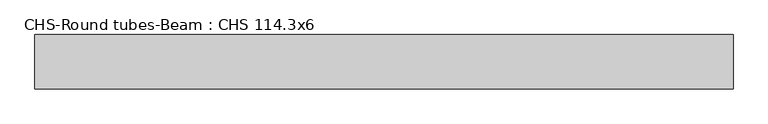
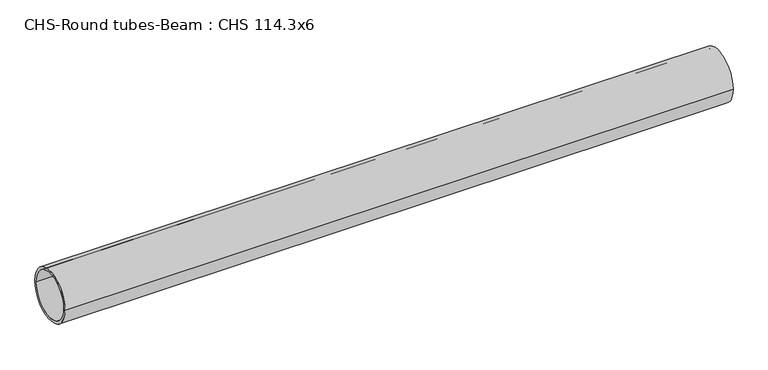
"""IFC4 building model written with IfcOpenShell, lengths in millimetres: beam geometry, CHS-Round tubes-Beam : CHS 114.3x6."""

from ifc_helpers import new_model, si_unit, point, frame, origin, origin_2d, place, context, project, spatial, circle_curve, trimmed, segment, composite_curve, outline, extrude, source, transform, mapped, element, save


def chs_round_tubes_beam_chs_114_3x6_938c7c3d(model_context):
    return source(origin(), model_context, "Body", "SweptSolid", [
        extrude(outline(composite_curve([segment(trimmed(circle_curve(origin_2d(), 57.15), [point((57.15, 0.0))], [point((-57.15, 0.0))], False, "CARTESIAN"), True, "CONTINUOUS"), segment(trimmed(circle_curve(origin_2d(), 57.15), [point((-57.15, 0.0))], [point((57.15, 0.0))], False, "CARTESIAN"), True, "CONTINUOUS")], self_intersect=False), holes=[composite_curve([segment(trimmed(circle_curve(origin_2d(), 51.15), [point((51.15, 0.0))], [point((-51.15, 0.0))], True, "CARTESIAN"), True, "CONTINUOUS"), segment(trimmed(circle_curve(origin_2d(), 51.15), [point((-51.15, 0.0))], [point((51.15, 0.0))], True, "CARTESIAN"), True, "CONTINUOUS")], self_intersect=False)]), frame((-735.5671644, 0.0, 0.0), z_axis=(1.0, 0.0, 0.0), x_axis=(0.0, 1.0, 0.0)), (0.0, 0.0, 1.0), 1465.9272571),
    ])


if __name__ == "__main__":
    model = new_model("IFC4")
    model_context = context("Model", 3, world=origin())
    ifc_project = project(units=[si_unit("LENGTHUNIT", "METRE", prefix="MILLI")], contexts=[model_context])
    site = spatial("IfcSite", under=ifc_project)
    building = spatial("IfcBuilding", under=site)
    placement = place(None, origin())
    chs_round_tubes_beam_chs_114_3x6_shape = chs_round_tubes_beam_chs_114_3x6_938c7c3d(model_context)
    element("IfcBeam", 1, ObjectType="CHS-Round tubes-Beam : CHS 114.3x6", at=placement, inside=building, context=model_context, shape_type="MappedRepresentation", body=[
        mapped(chs_round_tubes_beam_chs_114_3x6_shape, transform((0.0, 0.0, 0.0), x_axis=(1.0, 0.0, 0.0), y_axis=(0.0, 1.0, 0.0), z_axis=(0.0, 0.0, 1.0))),
    ])
    save(model, "model.ifc")
